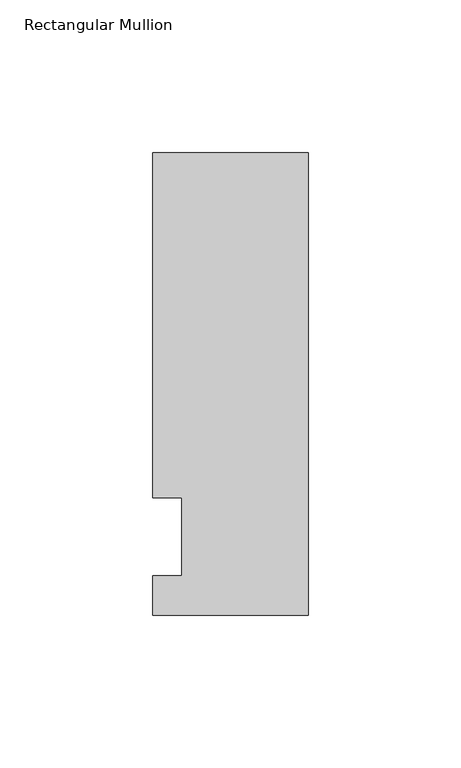
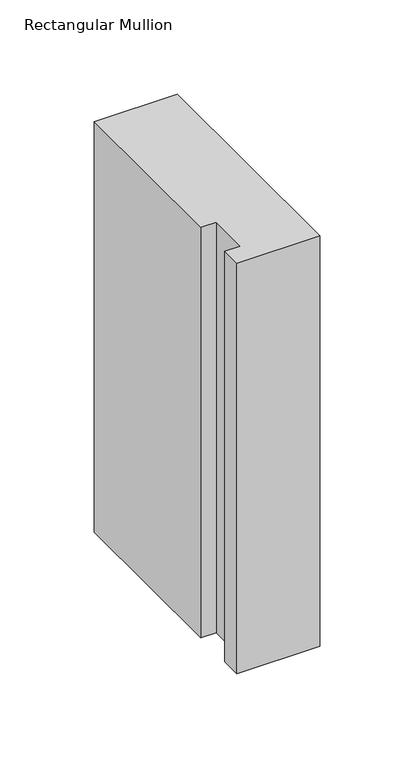
"""IFC4 building model written with IfcOpenShell, lengths in millimetres: member geometry, Rectangular Mullion."""

from ifc_helpers import new_model, si_unit, frame, origin, place, context, project, spatial, polyline, outline, extrude, source, transform, mapped, element, save


def rectangular_mullion_b4f2c087(model_context):
    return source(origin(), model_context, "Body", "SweptSolid", [
        extrude(outline(polyline([(-50.8, -25.5984375), (-50.8, -12.7), (-41.275, -12.7), (-41.275, 12.7), (-50.8, 12.7), (-50.8, 125.6109375), (0.0, 125.6109375), (0.0, -25.5984375), (-50.8, -25.5984375)])), frame((0.0, 0.0, -265.75385), z_axis=(0.0, 0.0, 1.0), x_axis=(1.0, 0.0, 0.0)), (0.0, 0.0, 1.0), 265.75385),
    ])


if __name__ == "__main__":
    model = new_model("IFC4")
    model_context = context("Model", 3, world=origin())
    ifc_project = project(units=[si_unit("LENGTHUNIT", "METRE", prefix="MILLI")], contexts=[model_context])
    site = spatial("IfcSite", under=ifc_project)
    building = spatial("IfcBuilding", under=site)
    placement = place(None, origin())
    rectangular_mullion_shape = rectangular_mullion_b4f2c087(model_context)
    element("IfcMember", 1, ObjectType="Rectangular Mullion", at=placement, inside=building, context=model_context, shape_type="MappedRepresentation", body=[
        mapped(rectangular_mullion_shape, transform((0.0, 0.0, 0.0), x_axis=(1.0, 0.0, 0.0), y_axis=(0.0, 1.0, 0.0), z_axis=(0.0, 0.0, 1.0))),
    ])
    save(model, "model.ifc")
